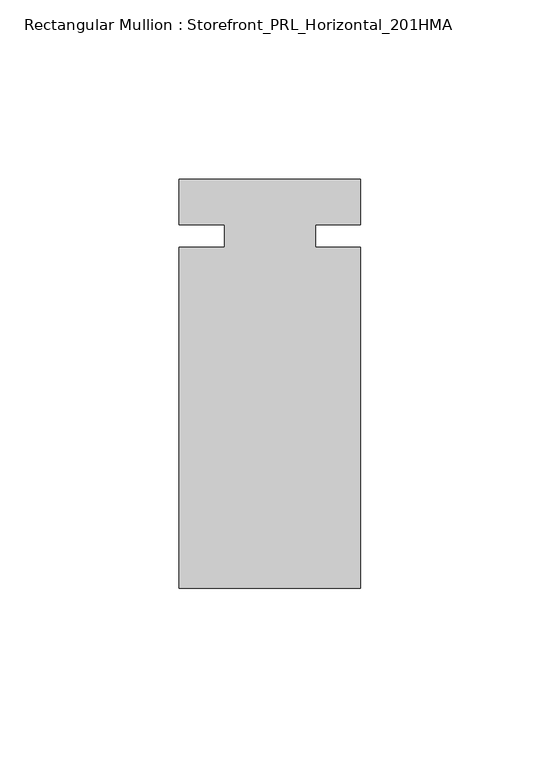
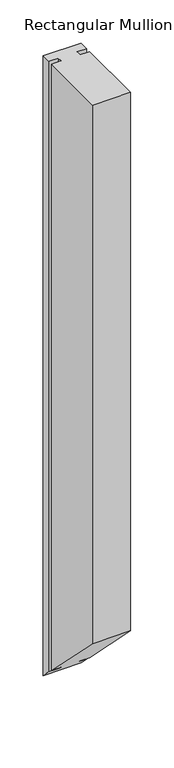
"""IFC4 building model written with IfcOpenShell, lengths in millimetres: member geometry, Rectangular Mullion : Storefront_PRL_Horizontal_201HMA."""

from ifc_helpers import new_model, si_unit, origin, place, context, project, spatial, faceted_brep, source, transform, mapped, element, save


def rectangular_mullion_storefront_prl_horizontal_201hma_7ef7f7e2(model_context):
    return source(origin(), model_context, "Body", "Brep", [
        faceted_brep([(-12.7, -3.175, 0.0), (-25.4, -3.175, 0.0), (-25.4, -98.425, 0.0), (25.4, -98.425, 0.0), (25.4, -3.175, 0.0), (12.7, -3.175, 0.0), (12.7, 3.175, 0.0), (25.4, 3.175, 0.0), (25.4, 15.875, 0.0), (-25.4, 15.875, 0.0), (-25.4, 3.175, 0.0), (-12.7, 3.175, 0.0), (-12.7, -3.175, -854.075), (-25.4, -3.175, -854.075), (-25.4, -98.425, -758.825), (25.4, -98.425, -758.825), (25.4, -3.175, -854.075), (12.7, -3.175, -854.075), (12.7, 3.175, -860.425), (25.4, 3.175, -860.425), (25.4, 15.875, -873.125), (-25.4, 15.875, -873.125), (-25.4, 3.175, -860.425), (-12.7, 3.175, -860.425)], [[[0, 1, 2, 3, 4, 5, 6, 7, 8, 9, 10, 11]], [[1, 0, 12, 13]], [[2, 1, 13, 14]], [[3, 2, 14, 15]], [[4, 3, 15, 16]], [[5, 4, 16, 17]], [[6, 5, 17, 18]], [[7, 6, 18, 19]], [[8, 7, 19, 20]], [[9, 8, 20, 21]], [[10, 9, 21, 22]], [[11, 10, 22, 23]], [[0, 11, 23, 12]], [[12, 23, 22, 21, 20, 19, 18, 17, 16, 15, 14, 13]]]),
    ])


if __name__ == "__main__":
    model = new_model("IFC4")
    model_context = context("Model", 3, world=origin())
    ifc_project = project(units=[si_unit("LENGTHUNIT", "METRE", prefix="MILLI")], contexts=[model_context])
    site = spatial("IfcSite", under=ifc_project)
    building = spatial("IfcBuilding", under=site)
    placement = place(None, origin())
    rectangular_mullion_storefront_prl_horizontal_201hma_shape = rectangular_mullion_storefront_prl_horizontal_201hma_7ef7f7e2(model_context)
    element("IfcMember", 1, ObjectType="Rectangular Mullion : Storefront_PRL_Horizontal_201HMA", at=placement, inside=building, context=model_context, shape_type="MappedRepresentation", body=[
        mapped(rectangular_mullion_storefront_prl_horizontal_201hma_shape, transform((0.0, 0.0, 0.0), x_axis=(1.0, 0.0, 0.0), y_axis=(0.0, 1.0, 0.0), z_axis=(0.0, 0.0, 1.0))),
    ])
    save(model, "model.ifc")
